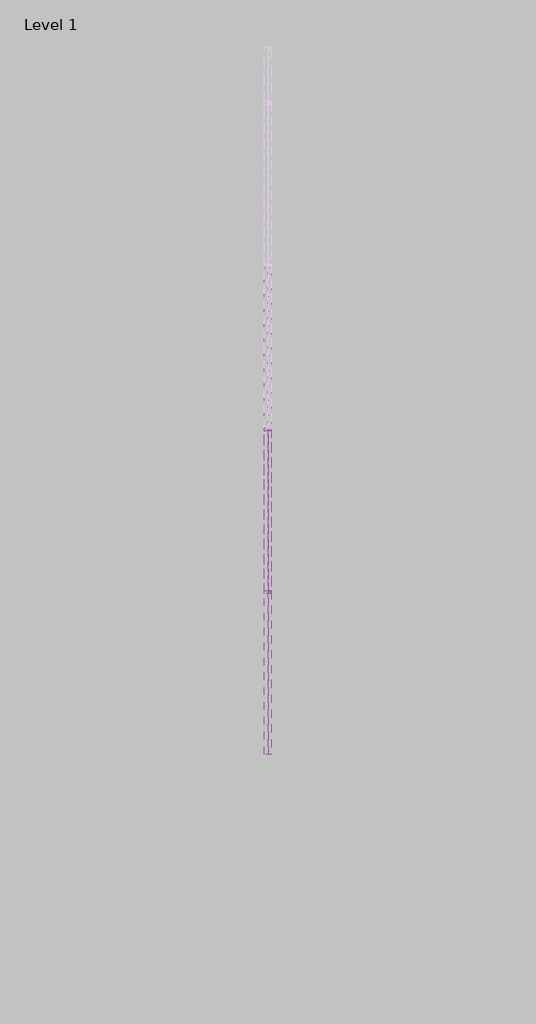
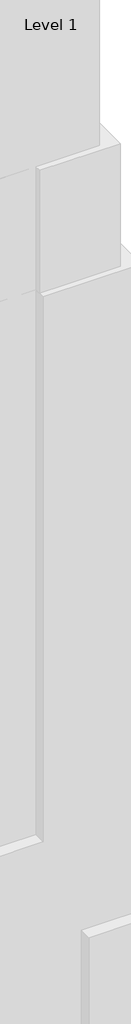
# One storey, part 25 of 29: 112 plates, 4 members.
"""IFC4 building model written with IfcOpenShell, lengths in millimetres."""

import ifcopenshell
import ifcopenshell.guid

model = None  # the IFC model being written
_history = None  # IfcOwnerHistory: only IFC2X3 demands one
_inside = {}  # id of a spatial element -> (the spatial element, [elements in it])
_under = {}  # id of a project, library or spatial element -> (it, [spatial elements below it])
_declared = {}  # id of a project -> (the project, [libraries it declares])
_typed = {}  # id of a type object -> (the type object, [elements of that type])
_made_of = {}  # id of a material, layer set ... -> (it, [elements and type objects made of it])


def new_model(schema):
    """Start an empty IFC model of exactly this schema.

    Asked for "IFC4X3", IfcOpenShell would pick the latest addendum, in which some entities
    have other attributes; the version numbers below select the first issue.
    IFC2X3 requires an IfcOwnerHistory on every rooted entity: one is made here for all.
    """
    global model, _history
    if schema == "IFC4X3":
        model = ifcopenshell.file(schema_version=(4, 3, 0, 0))
    else:
        model = ifcopenshell.file(schema=schema)
    _inside.clear()
    _under.clear()
    _declared.clear()
    _typed.clear()
    _made_of.clear()
    _history = None
    if model.schema == "IFC2X3":
        org = make("IfcOrganization", Name="unknown")
        user = make(
            "IfcPersonAndOrganization",
            ThePerson=make("IfcPerson", FamilyName="unknown"),
            TheOrganization=org,
        )
        app = make(
            "IfcApplication",
            ApplicationDeveloper=org,
            Version="unknown",
            ApplicationFullName="unknown",
            ApplicationIdentifier="unknown",
        )
        _history = make(
            "IfcOwnerHistory",
            OwningUser=user,
            OwningApplication=app,
            ChangeAction="ADDED",
            CreationDate=0,
        )
    return model


def make(cls, **values):
    """One entity of the class cls with the attributes given. An attribute that is None is left unset."""
    return model.create_entity(
        cls, **{name: value for name, value in values.items() if value is not None}
    )


def rooted(cls, **values):
    """An entity with a GlobalId (a new one), such as an element, a storey or a relation."""
    return make(cls, GlobalId=ifcopenshell.guid.new(), OwnerHistory=_history, **values)


def si_unit(unit_type, name, prefix=None):
    """IfcSIUnit, for example si_unit("LENGTHUNIT", "METRE", prefix="MILLI")."""
    return make("IfcSIUnit", UnitType=unit_type, Prefix=prefix, Name=name)


def assignment(units):
    """IfcUnitAssignment: the units of a project."""
    return None if units is None else make("IfcUnitAssignment", Units=units)


def point(xyz):
    """IfcCartesianPoint."""
    return None if xyz is None else make("IfcCartesianPoint", Coordinates=xyz)


def direction(xyz):
    """IfcDirection."""
    return None if xyz is None else make("IfcDirection", DirectionRatios=xyz)


def frame(location, z_axis=None, x_axis=None):
    """IfcAxis2Placement3D, a coordinate frame: its origin and axes. An axis left out is left unset."""
    return make(
        "IfcAxis2Placement3D",
        Location=point(location),
        Axis=direction(z_axis),
        RefDirection=direction(x_axis),
    )


def origin():
    """The frame at (0, 0, 0) with its axes left unset."""
    return frame((0.0, 0.0, 0.0))


def origin_with_axes():
    """The frame at (0, 0, 0) with the z axis (0, 0, 1) and the x axis (1, 0, 0) written out."""
    return frame((0.0, 0.0, 0.0), z_axis=(0.0, 0.0, 1.0), x_axis=(1.0, 0.0, 0.0))


def place(relative_to, where):
    """IfcLocalPlacement: puts the frame where relative to a parent placement (None: the world)."""
    return make(
        "IfcLocalPlacement", PlacementRelTo=relative_to, RelativePlacement=where
    )


def context(
    kind, dimensions, precision=None, world=None, true_north=None, identifier=None
):
    """IfcGeometricRepresentationContext, for example the 3D "Model" context."""
    return make(
        "IfcGeometricRepresentationContext",
        ContextIdentifier=identifier,
        ContextType=kind,
        CoordinateSpaceDimension=dimensions,
        Precision=precision,
        WorldCoordinateSystem=world,
        TrueNorth=true_north,
    )


def project(units=None, contexts=None):
    """IfcProject with its units and contexts."""
    return rooted(
        "IfcProject",
        Name="project",
        RepresentationContexts=contexts,
        UnitsInContext=assignment(units),
    )


def spatial(cls, under=None, at=None, **own):
    """A site, building, storey or space (cls), placed at a placement, below another one or the project."""
    s = rooted(cls, ObjectPlacement=at, **own)
    if under is not None:
        _under.setdefault(under.id(), (under, []))[1].append(s)
    return s


def polyline(points):
    """IfcPolyline through the points."""
    return make("IfcPolyline", Points=[point(p) for p in points])


def outline(outer, holes=None, kind="AREA"):
    """IfcArbitraryClosedProfileDef: a profile drawn as a closed curve; with holes, ...WithVoids."""
    if holes is None:
        return make("IfcArbitraryClosedProfileDef", ProfileType=kind, OuterCurve=outer)
    return make(
        "IfcArbitraryProfileDefWithVoids",
        ProfileType=kind,
        OuterCurve=outer,
        InnerCurves=holes,
    )


def extrude(swept, where, along, depth):
    """IfcExtrudedAreaSolid: the profile swept, set in the frame where, extruded along a direction by depth."""
    return make(
        "IfcExtrudedAreaSolid",
        SweptArea=swept,
        Position=where,
        ExtrudedDirection=direction(along),
        Depth=depth,
    )


def shape(context_of_items, identifier, shape_type, items):
    """IfcShapeRepresentation: the items that make up one representation, for example the "Body"."""
    return make(
        "IfcShapeRepresentation",
        ContextOfItems=context_of_items,
        RepresentationIdentifier=identifier,
        RepresentationType=shape_type,
        Items=items,
    )


def source(mapping_origin, context_of_items, identifier, shape_type, items):
    """IfcRepresentationMap: a shape defined once, which mapped items show again and again."""
    return make(
        "IfcRepresentationMap",
        MappingOrigin=mapping_origin,
        MappedRepresentation=shape(context_of_items, identifier, shape_type, items),
    )


def transform(
    local_origin,
    x_axis=None,
    y_axis=None,
    z_axis=None,
    scale=None,
    scale2=None,
    scale3=None,
    uniform=True,
):
    """IfcCartesianTransformationOperator3D, or its non-uniform kind. x_axis, y_axis, z_axis: its Axis1, 2, 3."""
    if uniform:
        return make(
            "IfcCartesianTransformationOperator3D",
            Axis1=direction(x_axis),
            Axis2=direction(y_axis),
            LocalOrigin=point(local_origin),
            Scale=scale,
            Axis3=direction(z_axis),
        )
    return make(
        "IfcCartesianTransformationOperator3DnonUniform",
        Axis1=direction(x_axis),
        Axis2=direction(y_axis),
        LocalOrigin=point(local_origin),
        Scale=scale,
        Axis3=direction(z_axis),
        Scale2=scale2,
        Scale3=scale3,
    )


def mapped(mapping_source, mapping_target):
    """IfcMappedItem: shows the shape of a source again, moved by a transform."""
    return make(
        "IfcMappedItem", MappingSource=mapping_source, MappingTarget=mapping_target
    )


def made_of(thing, what):
    """Note that an element or type object is made of a material, layer set ...; save() writes the relation."""
    if what is not None:
        _made_of.setdefault(what.id(), (what, []))[1].append(thing)
    return thing


def element(
    cls,
    number,
    at=None,
    inside=None,
    cuts=None,
    type_object=None,
    material=None,
    context=None,
    identifier="Body",
    shape_type=None,
    held_by="IfcProductDefinitionShape",
    body=None,
    shapes=None,
    **own,
):
    """One element of the class cls, such as IfcWall. Its Tag is "e" and its number.

    at: its placement. inside: the storey or other place that contains it. cuts: it is an
    opening in that element (IfcRelVoidsElement). A single representation is given by context,
    identifier, shape_type and body (its items); several are given by shapes. held_by: the class
    of the entity that holds the representations. save() writes the other relations.
    """
    e = rooted(cls, Tag="e%d" % number, ObjectPlacement=at, **own)
    if body is not None:
        shapes = [shape(context, identifier, shape_type, body)]
    if shapes is not None:
        e.Representation = make(held_by, Representations=shapes)
    if inside is not None:
        _inside.setdefault(inside.id(), (inside, []))[1].append(e)
    if cuts is not None:
        rooted(
            "IfcRelVoidsElement", RelatingBuildingElement=cuts, RelatedOpeningElement=e
        )
    if type_object is not None:
        _typed.setdefault(type_object.id(), (type_object, []))[1].append(e)
    return made_of(e, material)


def aggregate(whole, parts):
    """IfcRelAggregates: a whole, such as a stair, and the parts it consists of."""
    return rooted("IfcRelAggregates", RelatingObject=whole, RelatedObjects=parts)


def save(model, path):
    """Write the relations noted so far, then the file.

    IfcRelAggregates (storeys below a building ...), IfcRelContainedInSpatialStructure (elements
    in a storey), IfcRelDefinesByType, IfcRelAssociatesMaterial and IfcRelDeclares: one each for
    every whole, place, type object, material and project.
    """
    for whole, parts in _under.values():
        aggregate(whole, parts)
    for where, things in _inside.values():
        rooted(
            "IfcRelContainedInSpatialStructure",
            RelatedElements=things,
            RelatingStructure=where,
        )
    for kind, things in _typed.values():
        rooted("IfcRelDefinesByType", RelatedObjects=things, RelatingType=kind)
    for what, things in _made_of.values():
        rooted("IfcRelAssociatesMaterial", RelatedObjects=things, RelatingMaterial=what)
    for by, libraries in _declared.values():
        rooted("IfcRelDeclares", RelatingContext=by, RelatedDefinitions=libraries)
    model.write(path)


def rectangular_mullion_30mm_square_0448d2ee(model_context):
    return source(origin(), model_context, "Body", "SweptSolid", [
        extrude(outline(polyline([(0.0, 15.0), (0.0, -15.0), (-30.0, -15.0), (-30.0, 15.0), (0.0, 15.0)])), frame((0.0, 0.0, -1500.0), z_axis=(0.0, 0.0, 1.0), x_axis=(1.0, 0.0, 0.0)), (0.0, 0.0, 1.0), 1500.0),
    ])


def system_panel_glazed_328a1fc4(model_context):
    return source(origin(), model_context, "Body", "SweptSolid", [
        extrude(outline(polyline([(750.0, -49.5), (-750.0, -49.5), (-750.0, -24.5), (750.0, -24.5), (750.0, -49.5)])), origin_with_axes(), (0.0, 0.0, 1.0), 2500.0),
    ])


def system_panel_glazed_00ce7913(model_context):
    return source(origin(), model_context, "Body", "SweptSolid", [
        extrude(outline(polyline([(750.0, -49.5), (-750.0, -49.5), (-750.0, -24.5), (750.0, -24.5), (750.0, -49.5)])), origin_with_axes(), (0.0, 0.0, 1.0), 2300.0),
    ])


model = new_model("IFC4")

# Units and contexts
model_context = context("Model", 3, world=origin())
ifc_project = project(units=[si_unit("LENGTHUNIT", "METRE", prefix="MILLI")], contexts=[model_context])

# Site, building, storey
site = spatial("IfcSite", under=ifc_project)
building = spatial("IfcBuilding", under=site)
storey = spatial("IfcBuildingStorey", under=building, Name="Level 1", Elevation=0.0)

# Members
placement = place(None, origin())
rectangular_mullion_30mm_square_shape = rectangular_mullion_30mm_square_0448d2ee(model_context)
element("IfcMember", 1, ObjectType="Rectangular Mullion : 30mm Square", at=placement, inside=storey, context=model_context, shape_type="MappedRepresentation", body=[
    mapped(rectangular_mullion_30mm_square_shape, transform((27779.9951476, 11053.1129705, 300200.0), x_axis=(0.0, 0.0, 1.0), y_axis=(1.0, 0.0, 0.0), z_axis=(0.0, 1.0, 0.0))),
])
element("IfcMember", 2, ObjectType="Rectangular Mullion : 30mm Square", at=placement, inside=storey, context=model_context, shape_type="MappedRepresentation", body=[
    mapped(rectangular_mullion_30mm_square_shape, transform((27779.9951476, 12553.1129705, 300200.0), x_axis=(0.0, 0.0, 1.0), y_axis=(1.0, 0.0, 0.0), z_axis=(0.0, 1.0, 0.0))),
])
element("IfcMember", 3, ObjectType="Rectangular Mullion : 30mm Square", at=placement, inside=storey, context=model_context, shape_type="MappedRepresentation", body=[
    mapped(rectangular_mullion_30mm_square_shape, transform((27779.9951476, 11053.1129705, 140400.0), x_axis=(0.0, 0.0, -1.0), y_axis=(1.0, 0.0, 0.0), z_axis=(0.0, -1.0, 0.0))),
])
element("IfcMember", 4, ObjectType="Rectangular Mullion : 30mm Square", at=placement, inside=storey, context=model_context, shape_type="MappedRepresentation", body=[
    mapped(rectangular_mullion_30mm_square_shape, transform((27779.9951476, 12553.1129705, 140400.0), x_axis=(0.0, 0.0, -1.0), y_axis=(1.0, 0.0, 0.0), z_axis=(0.0, -1.0, 0.0))),
])

# Plates
system_panel_glazed_shape = system_panel_glazed_328a1fc4(model_context)
element("IfcPlate", 5, ObjectType="System Panel : Glazed", at=placement, inside=storey, context=model_context, shape_type="MappedRepresentation", body=[
    mapped(system_panel_glazed_shape, transform((27779.9951476, 11803.1129705, 140400.0), x_axis=(0.0, 1.0, 0.0), y_axis=(-1.0, 0.0, 0.0), z_axis=(0.0, 0.0, 1.0))),
])
element("IfcPlate", 6, ObjectType="System Panel : Glazed", at=placement, inside=storey, context=model_context, shape_type="MappedRepresentation", body=[
    mapped(system_panel_glazed_shape, transform((27779.9951476, 13303.1129705, 140400.0), x_axis=(0.0, 1.0, 0.0), y_axis=(-1.0, 0.0, 0.0), z_axis=(0.0, 0.0, 1.0))),
])
element("IfcPlate", 7, ObjectType="System Panel : Glazed", at=placement, inside=storey, context=model_context, shape_type="MappedRepresentation", body=[
    mapped(system_panel_glazed_shape, transform((27779.9951476, 11803.1129705, 142900.0), x_axis=(0.0, 1.0, 0.0), y_axis=(-1.0, 0.0, 0.0), z_axis=(0.0, 0.0, 1.0))),
])
element("IfcPlate", 8, ObjectType="System Panel : Glazed", at=placement, inside=storey, context=model_context, shape_type="MappedRepresentation", body=[
    mapped(system_panel_glazed_shape, transform((27779.9951476, 13303.1129705, 142900.0), x_axis=(0.0, 1.0, 0.0), y_axis=(-1.0, 0.0, 0.0), z_axis=(0.0, 0.0, 1.0))),
])
element("IfcPlate", 9, ObjectType="System Panel : Glazed", at=placement, inside=storey, context=model_context, shape_type="MappedRepresentation", body=[
    mapped(system_panel_glazed_shape, transform((27779.9951476, 11803.1129705, 145400.0), x_axis=(0.0, 1.0, 0.0), y_axis=(-1.0, 0.0, 0.0), z_axis=(0.0, 0.0, 1.0))),
])
element("IfcPlate", 10, ObjectType="System Panel : Glazed", at=placement, inside=storey, context=model_context, shape_type="MappedRepresentation", body=[
    mapped(system_panel_glazed_shape, transform((27779.9951476, 13303.1129705, 145400.0), x_axis=(0.0, 1.0, 0.0), y_axis=(-1.0, 0.0, 0.0), z_axis=(0.0, 0.0, 1.0))),
])
element("IfcPlate", 11, ObjectType="System Panel : Glazed", at=placement, inside=storey, context=model_context, shape_type="MappedRepresentation", body=[
    mapped(system_panel_glazed_shape, transform((27779.9951476, 11803.1129705, 147900.0), x_axis=(0.0, 1.0, 0.0), y_axis=(-1.0, 0.0, 0.0), z_axis=(0.0, 0.0, 1.0))),
])
element("IfcPlate", 12, ObjectType="System Panel : Glazed", at=placement, inside=storey, context=model_context, shape_type="MappedRepresentation", body=[
    mapped(system_panel_glazed_shape, transform((27779.9951476, 13303.1129705, 147900.0), x_axis=(0.0, 1.0, 0.0), y_axis=(-1.0, 0.0, 0.0), z_axis=(0.0, 0.0, 1.0))),
])
element("IfcPlate", 13, ObjectType="System Panel : Glazed", at=placement, inside=storey, context=model_context, shape_type="MappedRepresentation", body=[
    mapped(system_panel_glazed_shape, transform((27779.9951476, 11803.1129705, 150400.0), x_axis=(0.0, 1.0, 0.0), y_axis=(-1.0, 0.0, 0.0), z_axis=(0.0, 0.0, 1.0))),
])
element("IfcPlate", 14, ObjectType="System Panel : Glazed", at=placement, inside=storey, context=model_context, shape_type="MappedRepresentation", body=[
    mapped(system_panel_glazed_shape, transform((27779.9951476, 13303.1129705, 150400.0), x_axis=(0.0, 1.0, 0.0), y_axis=(-1.0, 0.0, 0.0), z_axis=(0.0, 0.0, 1.0))),
])
element("IfcPlate", 15, ObjectType="System Panel : Glazed", at=placement, inside=storey, context=model_context, shape_type="MappedRepresentation", body=[
    mapped(system_panel_glazed_shape, transform((27779.9951476, 11803.1129705, 152900.0), x_axis=(0.0, 1.0, 0.0), y_axis=(-1.0, 0.0, 0.0), z_axis=(0.0, 0.0, 1.0))),
])
element("IfcPlate", 16, ObjectType="System Panel : Glazed", at=placement, inside=storey, context=model_context, shape_type="MappedRepresentation", body=[
    mapped(system_panel_glazed_shape, transform((27779.9951476, 13303.1129705, 152900.0), x_axis=(0.0, 1.0, 0.0), y_axis=(-1.0, 0.0, 0.0), z_axis=(0.0, 0.0, 1.0))),
])
element("IfcPlate", 17, ObjectType="System Panel : Glazed", at=placement, inside=storey, context=model_context, shape_type="MappedRepresentation", body=[
    mapped(system_panel_glazed_shape, transform((27779.9951476, 11803.1129705, 155400.0), x_axis=(0.0, 1.0, 0.0), y_axis=(-1.0, 0.0, 0.0), z_axis=(0.0, 0.0, 1.0))),
])
element("IfcPlate", 18, ObjectType="System Panel : Glazed", at=placement, inside=storey, context=model_context, shape_type="MappedRepresentation", body=[
    mapped(system_panel_glazed_shape, transform((27779.9951476, 13303.1129705, 155400.0), x_axis=(0.0, 1.0, 0.0), y_axis=(-1.0, 0.0, 0.0), z_axis=(0.0, 0.0, 1.0))),
])
element("IfcPlate", 19, ObjectType="System Panel : Glazed", at=placement, inside=storey, context=model_context, shape_type="MappedRepresentation", body=[
    mapped(system_panel_glazed_shape, transform((27779.9951476, 11803.1129705, 157900.0), x_axis=(0.0, 1.0, 0.0), y_axis=(-1.0, 0.0, 0.0), z_axis=(0.0, 0.0, 1.0))),
])
element("IfcPlate", 20, ObjectType="System Panel : Glazed", at=placement, inside=storey, context=model_context, shape_type="MappedRepresentation", body=[
    mapped(system_panel_glazed_shape, transform((27779.9951476, 13303.1129705, 157900.0), x_axis=(0.0, 1.0, 0.0), y_axis=(-1.0, 0.0, 0.0), z_axis=(0.0, 0.0, 1.0))),
])
element("IfcPlate", 21, ObjectType="System Panel : Glazed", at=placement, inside=storey, context=model_context, shape_type="MappedRepresentation", body=[
    mapped(system_panel_glazed_shape, transform((27779.9951476, 11803.1129705, 160400.0), x_axis=(0.0, 1.0, 0.0), y_axis=(-1.0, 0.0, 0.0), z_axis=(0.0, 0.0, 1.0))),
])
element("IfcPlate", 22, ObjectType="System Panel : Glazed", at=placement, inside=storey, context=model_context, shape_type="MappedRepresentation", body=[
    mapped(system_panel_glazed_shape, transform((27779.9951476, 13303.1129705, 160400.0), x_axis=(0.0, 1.0, 0.0), y_axis=(-1.0, 0.0, 0.0), z_axis=(0.0, 0.0, 1.0))),
])
element("IfcPlate", 23, ObjectType="System Panel : Glazed", at=placement, inside=storey, context=model_context, shape_type="MappedRepresentation", body=[
    mapped(system_panel_glazed_shape, transform((27779.9951476, 11803.1129705, 162900.0), x_axis=(0.0, 1.0, 0.0), y_axis=(-1.0, 0.0, 0.0), z_axis=(0.0, 0.0, 1.0))),
])
element("IfcPlate", 24, ObjectType="System Panel : Glazed", at=placement, inside=storey, context=model_context, shape_type="MappedRepresentation", body=[
    mapped(system_panel_glazed_shape, transform((27779.9951476, 13303.1129705, 162900.0), x_axis=(0.0, 1.0, 0.0), y_axis=(-1.0, 0.0, 0.0), z_axis=(0.0, 0.0, 1.0))),
])
element("IfcPlate", 25, ObjectType="System Panel : Glazed", at=placement, inside=storey, context=model_context, shape_type="MappedRepresentation", body=[
    mapped(system_panel_glazed_shape, transform((27779.9951476, 11803.1129705, 165400.0), x_axis=(0.0, 1.0, 0.0), y_axis=(-1.0, 0.0, 0.0), z_axis=(0.0, 0.0, 1.0))),
])
element("IfcPlate", 26, ObjectType="System Panel : Glazed", at=placement, inside=storey, context=model_context, shape_type="MappedRepresentation", body=[
    mapped(system_panel_glazed_shape, transform((27779.9951476, 13303.1129705, 165400.0), x_axis=(0.0, 1.0, 0.0), y_axis=(-1.0, 0.0, 0.0), z_axis=(0.0, 0.0, 1.0))),
])
element("IfcPlate", 27, ObjectType="System Panel : Glazed", at=placement, inside=storey, context=model_context, shape_type="MappedRepresentation", body=[
    mapped(system_panel_glazed_shape, transform((27779.9951476, 11803.1129705, 167900.0), x_axis=(0.0, 1.0, 0.0), y_axis=(-1.0, 0.0, 0.0), z_axis=(0.0, 0.0, 1.0))),
])
element("IfcPlate", 28, ObjectType="System Panel : Glazed", at=placement, inside=storey, context=model_context, shape_type="MappedRepresentation", body=[
    mapped(system_panel_glazed_shape, transform((27779.9951476, 13303.1129705, 167900.0), x_axis=(0.0, 1.0, 0.0), y_axis=(-1.0, 0.0, 0.0), z_axis=(0.0, 0.0, 1.0))),
])
element("IfcPlate", 29, ObjectType="System Panel : Glazed", at=placement, inside=storey, context=model_context, shape_type="MappedRepresentation", body=[
    mapped(system_panel_glazed_shape, transform((27779.9951476, 11803.1129705, 170400.0), x_axis=(0.0, 1.0, 0.0), y_axis=(-1.0, 0.0, 0.0), z_axis=(0.0, 0.0, 1.0))),
])
element("IfcPlate", 30, ObjectType="System Panel : Glazed", at=placement, inside=storey, context=model_context, shape_type="MappedRepresentation", body=[
    mapped(system_panel_glazed_shape, transform((27779.9951476, 13303.1129705, 170400.0), x_axis=(0.0, 1.0, 0.0), y_axis=(-1.0, 0.0, 0.0), z_axis=(0.0, 0.0, 1.0))),
])
element("IfcPlate", 31, ObjectType="System Panel : Glazed", at=placement, inside=storey, context=model_context, shape_type="MappedRepresentation", body=[
    mapped(system_panel_glazed_shape, transform((27779.9951476, 11803.1129705, 172900.0), x_axis=(0.0, 1.0, 0.0), y_axis=(-1.0, 0.0, 0.0), z_axis=(0.0, 0.0, 1.0))),
])
element("IfcPlate", 32, ObjectType="System Panel : Glazed", at=placement, inside=storey, context=model_context, shape_type="MappedRepresentation", body=[
    mapped(system_panel_glazed_shape, transform((27779.9951476, 13303.1129705, 172900.0), x_axis=(0.0, 1.0, 0.0), y_axis=(-1.0, 0.0, 0.0), z_axis=(0.0, 0.0, 1.0))),
])
element("IfcPlate", 33, ObjectType="System Panel : Glazed", at=placement, inside=storey, context=model_context, shape_type="MappedRepresentation", body=[
    mapped(system_panel_glazed_shape, transform((27779.9951476, 11803.1129705, 175400.0), x_axis=(0.0, 1.0, 0.0), y_axis=(-1.0, 0.0, 0.0), z_axis=(0.0, 0.0, 1.0))),
])
element("IfcPlate", 34, ObjectType="System Panel : Glazed", at=placement, inside=storey, context=model_context, shape_type="MappedRepresentation", body=[
    mapped(system_panel_glazed_shape, transform((27779.9951476, 13303.1129705, 175400.0), x_axis=(0.0, 1.0, 0.0), y_axis=(-1.0, 0.0, 0.0), z_axis=(0.0, 0.0, 1.0))),
])
element("IfcPlate", 35, ObjectType="System Panel : Glazed", at=placement, inside=storey, context=model_context, shape_type="MappedRepresentation", body=[
    mapped(system_panel_glazed_shape, transform((27779.9951476, 11803.1129705, 177900.0), x_axis=(0.0, 1.0, 0.0), y_axis=(-1.0, 0.0, 0.0), z_axis=(0.0, 0.0, 1.0))),
])
element("IfcPlate", 36, ObjectType="System Panel : Glazed", at=placement, inside=storey, context=model_context, shape_type="MappedRepresentation", body=[
    mapped(system_panel_glazed_shape, transform((27779.9951476, 13303.1129705, 177900.0), x_axis=(0.0, 1.0, 0.0), y_axis=(-1.0, 0.0, 0.0), z_axis=(0.0, 0.0, 1.0))),
])
element("IfcPlate", 37, ObjectType="System Panel : Glazed", at=placement, inside=storey, context=model_context, shape_type="MappedRepresentation", body=[
    mapped(system_panel_glazed_shape, transform((27779.9951476, 11803.1129705, 180400.0), x_axis=(0.0, 1.0, 0.0), y_axis=(-1.0, 0.0, 0.0), z_axis=(0.0, 0.0, 1.0))),
])
element("IfcPlate", 38, ObjectType="System Panel : Glazed", at=placement, inside=storey, context=model_context, shape_type="MappedRepresentation", body=[
    mapped(system_panel_glazed_shape, transform((27779.9951476, 13303.1129705, 180400.0), x_axis=(0.0, 1.0, 0.0), y_axis=(-1.0, 0.0, 0.0), z_axis=(0.0, 0.0, 1.0))),
])
element("IfcPlate", 39, ObjectType="System Panel : Glazed", at=placement, inside=storey, context=model_context, shape_type="MappedRepresentation", body=[
    mapped(system_panel_glazed_shape, transform((27779.9951476, 11803.1129705, 182900.0), x_axis=(0.0, 1.0, 0.0), y_axis=(-1.0, 0.0, 0.0), z_axis=(0.0, 0.0, 1.0))),
])
element("IfcPlate", 40, ObjectType="System Panel : Glazed", at=placement, inside=storey, context=model_context, shape_type="MappedRepresentation", body=[
    mapped(system_panel_glazed_shape, transform((27779.9951476, 13303.1129705, 182900.0), x_axis=(0.0, 1.0, 0.0), y_axis=(-1.0, 0.0, 0.0), z_axis=(0.0, 0.0, 1.0))),
])
element("IfcPlate", 41, ObjectType="System Panel : Glazed", at=placement, inside=storey, context=model_context, shape_type="MappedRepresentation", body=[
    mapped(system_panel_glazed_shape, transform((27779.9951476, 11803.1129705, 185400.0), x_axis=(0.0, 1.0, 0.0), y_axis=(-1.0, 0.0, 0.0), z_axis=(0.0, 0.0, 1.0))),
])
element("IfcPlate", 42, ObjectType="System Panel : Glazed", at=placement, inside=storey, context=model_context, shape_type="MappedRepresentation", body=[
    mapped(system_panel_glazed_shape, transform((27779.9951476, 13303.1129705, 185400.0), x_axis=(0.0, 1.0, 0.0), y_axis=(-1.0, 0.0, 0.0), z_axis=(0.0, 0.0, 1.0))),
])
element("IfcPlate", 43, ObjectType="System Panel : Glazed", at=placement, inside=storey, context=model_context, shape_type="MappedRepresentation", body=[
    mapped(system_panel_glazed_shape, transform((27779.9951476, 11803.1129705, 187900.0), x_axis=(0.0, 1.0, 0.0), y_axis=(-1.0, 0.0, 0.0), z_axis=(0.0, 0.0, 1.0))),
])
element("IfcPlate", 44, ObjectType="System Panel : Glazed", at=placement, inside=storey, context=model_context, shape_type="MappedRepresentation", body=[
    mapped(system_panel_glazed_shape, transform((27779.9951476, 13303.1129705, 187900.0), x_axis=(0.0, 1.0, 0.0), y_axis=(-1.0, 0.0, 0.0), z_axis=(0.0, 0.0, 1.0))),
])
element("IfcPlate", 45, ObjectType="System Panel : Glazed", at=placement, inside=storey, context=model_context, shape_type="MappedRepresentation", body=[
    mapped(system_panel_glazed_shape, transform((27779.9951476, 11803.1129705, 190400.0), x_axis=(0.0, 1.0, 0.0), y_axis=(-1.0, 0.0, 0.0), z_axis=(0.0, 0.0, 1.0))),
])
element("IfcPlate", 46, ObjectType="System Panel : Glazed", at=placement, inside=storey, context=model_context, shape_type="MappedRepresentation", body=[
    mapped(system_panel_glazed_shape, transform((27779.9951476, 13303.1129705, 190400.0), x_axis=(0.0, 1.0, 0.0), y_axis=(-1.0, 0.0, 0.0), z_axis=(0.0, 0.0, 1.0))),
])
element("IfcPlate", 47, ObjectType="System Panel : Glazed", at=placement, inside=storey, context=model_context, shape_type="MappedRepresentation", body=[
    mapped(system_panel_glazed_shape, transform((27779.9951476, 11803.1129705, 192900.0), x_axis=(0.0, 1.0, 0.0), y_axis=(-1.0, 0.0, 0.0), z_axis=(0.0, 0.0, 1.0))),
])
element("IfcPlate", 48, ObjectType="System Panel : Glazed", at=placement, inside=storey, context=model_context, shape_type="MappedRepresentation", body=[
    mapped(system_panel_glazed_shape, transform((27779.9951476, 13303.1129705, 192900.0), x_axis=(0.0, 1.0, 0.0), y_axis=(-1.0, 0.0, 0.0), z_axis=(0.0, 0.0, 1.0))),
])
element("IfcPlate", 49, ObjectType="System Panel : Glazed", at=placement, inside=storey, context=model_context, shape_type="MappedRepresentation", body=[
    mapped(system_panel_glazed_shape, transform((27779.9951476, 11803.1129705, 195400.0), x_axis=(0.0, 1.0, 0.0), y_axis=(-1.0, 0.0, 0.0), z_axis=(0.0, 0.0, 1.0))),
])
element("IfcPlate", 50, ObjectType="System Panel : Glazed", at=placement, inside=storey, context=model_context, shape_type="MappedRepresentation", body=[
    mapped(system_panel_glazed_shape, transform((27779.9951476, 13303.1129705, 195400.0), x_axis=(0.0, 1.0, 0.0), y_axis=(-1.0, 0.0, 0.0), z_axis=(0.0, 0.0, 1.0))),
])
element("IfcPlate", 51, ObjectType="System Panel : Glazed", at=placement, inside=storey, context=model_context, shape_type="MappedRepresentation", body=[
    mapped(system_panel_glazed_shape, transform((27779.9951476, 11803.1129705, 197900.0), x_axis=(0.0, 1.0, 0.0), y_axis=(-1.0, 0.0, 0.0), z_axis=(0.0, 0.0, 1.0))),
])
element("IfcPlate", 52, ObjectType="System Panel : Glazed", at=placement, inside=storey, context=model_context, shape_type="MappedRepresentation", body=[
    mapped(system_panel_glazed_shape, transform((27779.9951476, 13303.1129705, 197900.0), x_axis=(0.0, 1.0, 0.0), y_axis=(-1.0, 0.0, 0.0), z_axis=(0.0, 0.0, 1.0))),
])
element("IfcPlate", 53, ObjectType="System Panel : Glazed", at=placement, inside=storey, context=model_context, shape_type="MappedRepresentation", body=[
    mapped(system_panel_glazed_shape, transform((27779.9951476, 11803.1129705, 200400.0), x_axis=(0.0, 1.0, 0.0), y_axis=(-1.0, 0.0, 0.0), z_axis=(0.0, 0.0, 1.0))),
])
element("IfcPlate", 54, ObjectType="System Panel : Glazed", at=placement, inside=storey, context=model_context, shape_type="MappedRepresentation", body=[
    mapped(system_panel_glazed_shape, transform((27779.9951476, 13303.1129705, 200400.0), x_axis=(0.0, 1.0, 0.0), y_axis=(-1.0, 0.0, 0.0), z_axis=(0.0, 0.0, 1.0))),
])
element("IfcPlate", 55, ObjectType="System Panel : Glazed", at=placement, inside=storey, context=model_context, shape_type="MappedRepresentation", body=[
    mapped(system_panel_glazed_shape, transform((27779.9951476, 11803.1129705, 202900.0), x_axis=(0.0, 1.0, 0.0), y_axis=(-1.0, 0.0, 0.0), z_axis=(0.0, 0.0, 1.0))),
])
element("IfcPlate", 56, ObjectType="System Panel : Glazed", at=placement, inside=storey, context=model_context, shape_type="MappedRepresentation", body=[
    mapped(system_panel_glazed_shape, transform((27779.9951476, 13303.1129705, 202900.0), x_axis=(0.0, 1.0, 0.0), y_axis=(-1.0, 0.0, 0.0), z_axis=(0.0, 0.0, 1.0))),
])
element("IfcPlate", 57, ObjectType="System Panel : Glazed", at=placement, inside=storey, context=model_context, shape_type="MappedRepresentation", body=[
    mapped(system_panel_glazed_shape, transform((27779.9951476, 11803.1129705, 205400.0), x_axis=(0.0, 1.0, 0.0), y_axis=(-1.0, 0.0, 0.0), z_axis=(0.0, 0.0, 1.0))),
])
element("IfcPlate", 58, ObjectType="System Panel : Glazed", at=placement, inside=storey, context=model_context, shape_type="MappedRepresentation", body=[
    mapped(system_panel_glazed_shape, transform((27779.9951476, 13303.1129705, 205400.0), x_axis=(0.0, 1.0, 0.0), y_axis=(-1.0, 0.0, 0.0), z_axis=(0.0, 0.0, 1.0))),
])
element("IfcPlate", 59, ObjectType="System Panel : Glazed", at=placement, inside=storey, context=model_context, shape_type="MappedRepresentation", body=[
    mapped(system_panel_glazed_shape, transform((27779.9951476, 11803.1129705, 207900.0), x_axis=(0.0, 1.0, 0.0), y_axis=(-1.0, 0.0, 0.0), z_axis=(0.0, 0.0, 1.0))),
])
element("IfcPlate", 60, ObjectType="System Panel : Glazed", at=placement, inside=storey, context=model_context, shape_type="MappedRepresentation", body=[
    mapped(system_panel_glazed_shape, transform((27779.9951476, 13303.1129705, 207900.0), x_axis=(0.0, 1.0, 0.0), y_axis=(-1.0, 0.0, 0.0), z_axis=(0.0, 0.0, 1.0))),
])
element("IfcPlate", 61, ObjectType="System Panel : Glazed", at=placement, inside=storey, context=model_context, shape_type="MappedRepresentation", body=[
    mapped(system_panel_glazed_shape, transform((27779.9951476, 11803.1129705, 210400.0), x_axis=(0.0, 1.0, 0.0), y_axis=(-1.0, 0.0, 0.0), z_axis=(0.0, 0.0, 1.0))),
])
element("IfcPlate", 62, ObjectType="System Panel : Glazed", at=placement, inside=storey, context=model_context, shape_type="MappedRepresentation", body=[
    mapped(system_panel_glazed_shape, transform((27779.9951476, 13303.1129705, 210400.0), x_axis=(0.0, 1.0, 0.0), y_axis=(-1.0, 0.0, 0.0), z_axis=(0.0, 0.0, 1.0))),
])
element("IfcPlate", 63, ObjectType="System Panel : Glazed", at=placement, inside=storey, context=model_context, shape_type="MappedRepresentation", body=[
    mapped(system_panel_glazed_shape, transform((27779.9951476, 11803.1129705, 212900.0), x_axis=(0.0, 1.0, 0.0), y_axis=(-1.0, 0.0, 0.0), z_axis=(0.0, 0.0, 1.0))),
])
element("IfcPlate", 64, ObjectType="System Panel : Glazed", at=placement, inside=storey, context=model_context, shape_type="MappedRepresentation", body=[
    mapped(system_panel_glazed_shape, transform((27779.9951476, 13303.1129705, 212900.0), x_axis=(0.0, 1.0, 0.0), y_axis=(-1.0, 0.0, 0.0), z_axis=(0.0, 0.0, 1.0))),
])
element("IfcPlate", 65, ObjectType="System Panel : Glazed", at=placement, inside=storey, context=model_context, shape_type="MappedRepresentation", body=[
    mapped(system_panel_glazed_shape, transform((27779.9951476, 11803.1129705, 215400.0), x_axis=(0.0, 1.0, 0.0), y_axis=(-1.0, 0.0, 0.0), z_axis=(0.0, 0.0, 1.0))),
])
element("IfcPlate", 66, ObjectType="System Panel : Glazed", at=placement, inside=storey, context=model_context, shape_type="MappedRepresentation", body=[
    mapped(system_panel_glazed_shape, transform((27779.9951476, 11803.1129705, 217900.0), x_axis=(0.0, 1.0, 0.0), y_axis=(-1.0, 0.0, 0.0), z_axis=(0.0, 0.0, 1.0))),
])
element("IfcPlate", 67, ObjectType="System Panel : Glazed", at=placement, inside=storey, context=model_context, shape_type="MappedRepresentation", body=[
    mapped(system_panel_glazed_shape, transform((27779.9951476, 11803.1129705, 220400.0), x_axis=(0.0, 1.0, 0.0), y_axis=(-1.0, 0.0, 0.0), z_axis=(0.0, 0.0, 1.0))),
])
element("IfcPlate", 68, ObjectType="System Panel : Glazed", at=placement, inside=storey, context=model_context, shape_type="MappedRepresentation", body=[
    mapped(system_panel_glazed_shape, transform((27779.9951476, 11803.1129705, 222900.0), x_axis=(0.0, 1.0, 0.0), y_axis=(-1.0, 0.0, 0.0), z_axis=(0.0, 0.0, 1.0))),
])
element("IfcPlate", 69, ObjectType="System Panel : Glazed", at=placement, inside=storey, context=model_context, shape_type="MappedRepresentation", body=[
    mapped(system_panel_glazed_shape, transform((27779.9951476, 11803.1129705, 225400.0), x_axis=(0.0, 1.0, 0.0), y_axis=(-1.0, 0.0, 0.0), z_axis=(0.0, 0.0, 1.0))),
])
element("IfcPlate", 70, ObjectType="System Panel : Glazed", at=placement, inside=storey, context=model_context, shape_type="MappedRepresentation", body=[
    mapped(system_panel_glazed_shape, transform((27779.9951476, 11803.1129705, 227900.0), x_axis=(0.0, 1.0, 0.0), y_axis=(-1.0, 0.0, 0.0), z_axis=(0.0, 0.0, 1.0))),
])
element("IfcPlate", 71, ObjectType="System Panel : Glazed", at=placement, inside=storey, context=model_context, shape_type="MappedRepresentation", body=[
    mapped(system_panel_glazed_shape, transform((27779.9951476, 11803.1129705, 230400.0), x_axis=(0.0, 1.0, 0.0), y_axis=(-1.0, 0.0, 0.0), z_axis=(0.0, 0.0, 1.0))),
])
element("IfcPlate", 72, ObjectType="System Panel : Glazed", at=placement, inside=storey, context=model_context, shape_type="MappedRepresentation", body=[
    mapped(system_panel_glazed_shape, transform((27779.9951476, 11803.1129705, 232900.0), x_axis=(0.0, 1.0, 0.0), y_axis=(-1.0, 0.0, 0.0), z_axis=(0.0, 0.0, 1.0))),
])
element("IfcPlate", 73, ObjectType="System Panel : Glazed", at=placement, inside=storey, context=model_context, shape_type="MappedRepresentation", body=[
    mapped(system_panel_glazed_shape, transform((27779.9951476, 11803.1129705, 235400.0), x_axis=(0.0, 1.0, 0.0), y_axis=(-1.0, 0.0, 0.0), z_axis=(0.0, 0.0, 1.0))),
])
element("IfcPlate", 74, ObjectType="System Panel : Glazed", at=placement, inside=storey, context=model_context, shape_type="MappedRepresentation", body=[
    mapped(system_panel_glazed_shape, transform((27779.9951476, 11803.1129705, 237900.0), x_axis=(0.0, 1.0, 0.0), y_axis=(-1.0, 0.0, 0.0), z_axis=(0.0, 0.0, 1.0))),
])
element("IfcPlate", 75, ObjectType="System Panel : Glazed", at=placement, inside=storey, context=model_context, shape_type="MappedRepresentation", body=[
    mapped(system_panel_glazed_shape, transform((27779.9951476, 11803.1129705, 240400.0), x_axis=(0.0, 1.0, 0.0), y_axis=(-1.0, 0.0, 0.0), z_axis=(0.0, 0.0, 1.0))),
])
element("IfcPlate", 76, ObjectType="System Panel : Glazed", at=placement, inside=storey, context=model_context, shape_type="MappedRepresentation", body=[
    mapped(system_panel_glazed_shape, transform((27779.9951476, 11803.1129705, 242900.0), x_axis=(0.0, 1.0, 0.0), y_axis=(-1.0, 0.0, 0.0), z_axis=(0.0, 0.0, 1.0))),
])
element("IfcPlate", 77, ObjectType="System Panel : Glazed", at=placement, inside=storey, context=model_context, shape_type="MappedRepresentation", body=[
    mapped(system_panel_glazed_shape, transform((27779.9951476, 11803.1129705, 245400.0), x_axis=(0.0, 1.0, 0.0), y_axis=(-1.0, 0.0, 0.0), z_axis=(0.0, 0.0, 1.0))),
])
element("IfcPlate", 78, ObjectType="System Panel : Glazed", at=placement, inside=storey, context=model_context, shape_type="MappedRepresentation", body=[
    mapped(system_panel_glazed_shape, transform((27779.9951476, 11803.1129705, 247900.0), x_axis=(0.0, 1.0, 0.0), y_axis=(-1.0, 0.0, 0.0), z_axis=(0.0, 0.0, 1.0))),
])
element("IfcPlate", 79, ObjectType="System Panel : Glazed", at=placement, inside=storey, context=model_context, shape_type="MappedRepresentation", body=[
    mapped(system_panel_glazed_shape, transform((27779.9951476, 11803.1129705, 250400.0), x_axis=(0.0, 1.0, 0.0), y_axis=(-1.0, 0.0, 0.0), z_axis=(0.0, 0.0, 1.0))),
])
element("IfcPlate", 80, ObjectType="System Panel : Glazed", at=placement, inside=storey, context=model_context, shape_type="MappedRepresentation", body=[
    mapped(system_panel_glazed_shape, transform((27779.9951476, 11803.1129705, 252900.0), x_axis=(0.0, 1.0, 0.0), y_axis=(-1.0, 0.0, 0.0), z_axis=(0.0, 0.0, 1.0))),
])
element("IfcPlate", 81, ObjectType="System Panel : Glazed", at=placement, inside=storey, context=model_context, shape_type="MappedRepresentation", body=[
    mapped(system_panel_glazed_shape, transform((27779.9951476, 10303.1129705, 255400.0), x_axis=(0.0, 1.0, 0.0), y_axis=(-1.0, 0.0, 0.0), z_axis=(0.0, 0.0, 1.0))),
])
element("IfcPlate", 82, ObjectType="System Panel : Glazed", at=placement, inside=storey, context=model_context, shape_type="MappedRepresentation", body=[
    mapped(system_panel_glazed_shape, transform((27779.9951476, 11803.1129705, 255400.0), x_axis=(0.0, 1.0, 0.0), y_axis=(-1.0, 0.0, 0.0), z_axis=(0.0, 0.0, 1.0))),
])
element("IfcPlate", 83, ObjectType="System Panel : Glazed", at=placement, inside=storey, context=model_context, shape_type="MappedRepresentation", body=[
    mapped(system_panel_glazed_shape, transform((27779.9951476, 10303.1129705, 257900.0), x_axis=(0.0, 1.0, 0.0), y_axis=(-1.0, 0.0, 0.0), z_axis=(0.0, 0.0, 1.0))),
])
element("IfcPlate", 84, ObjectType="System Panel : Glazed", at=placement, inside=storey, context=model_context, shape_type="MappedRepresentation", body=[
    mapped(system_panel_glazed_shape, transform((27779.9951476, 11803.1129705, 257900.0), x_axis=(0.0, 1.0, 0.0), y_axis=(-1.0, 0.0, 0.0), z_axis=(0.0, 0.0, 1.0))),
])
element("IfcPlate", 85, ObjectType="System Panel : Glazed", at=placement, inside=storey, context=model_context, shape_type="MappedRepresentation", body=[
    mapped(system_panel_glazed_shape, transform((27779.9951476, 10303.1129705, 260400.0), x_axis=(0.0, 1.0, 0.0), y_axis=(-1.0, 0.0, 0.0), z_axis=(0.0, 0.0, 1.0))),
])
element("IfcPlate", 86, ObjectType="System Panel : Glazed", at=placement, inside=storey, context=model_context, shape_type="MappedRepresentation", body=[
    mapped(system_panel_glazed_shape, transform((27779.9951476, 11803.1129705, 260400.0), x_axis=(0.0, 1.0, 0.0), y_axis=(-1.0, 0.0, 0.0), z_axis=(0.0, 0.0, 1.0))),
])
element("IfcPlate", 87, ObjectType="System Panel : Glazed", at=placement, inside=storey, context=model_context, shape_type="MappedRepresentation", body=[
    mapped(system_panel_glazed_shape, transform((27779.9951476, 10303.1129705, 262900.0), x_axis=(0.0, 1.0, 0.0), y_axis=(-1.0, 0.0, 0.0), z_axis=(0.0, 0.0, 1.0))),
])
element("IfcPlate", 88, ObjectType="System Panel : Glazed", at=placement, inside=storey, context=model_context, shape_type="MappedRepresentation", body=[
    mapped(system_panel_glazed_shape, transform((27779.9951476, 11803.1129705, 262900.0), x_axis=(0.0, 1.0, 0.0), y_axis=(-1.0, 0.0, 0.0), z_axis=(0.0, 0.0, 1.0))),
])
element("IfcPlate", 89, ObjectType="System Panel : Glazed", at=placement, inside=storey, context=model_context, shape_type="MappedRepresentation", body=[
    mapped(system_panel_glazed_shape, transform((27779.9951476, 10303.1129705, 265400.0), x_axis=(0.0, 1.0, 0.0), y_axis=(-1.0, 0.0, 0.0), z_axis=(0.0, 0.0, 1.0))),
])
element("IfcPlate", 90, ObjectType="System Panel : Glazed", at=placement, inside=storey, context=model_context, shape_type="MappedRepresentation", body=[
    mapped(system_panel_glazed_shape, transform((27779.9951476, 11803.1129705, 265400.0), x_axis=(0.0, 1.0, 0.0), y_axis=(-1.0, 0.0, 0.0), z_axis=(0.0, 0.0, 1.0))),
])
element("IfcPlate", 91, ObjectType="System Panel : Glazed", at=placement, inside=storey, context=model_context, shape_type="MappedRepresentation", body=[
    mapped(system_panel_glazed_shape, transform((27779.9951476, 10303.1129705, 267900.0), x_axis=(0.0, 1.0, 0.0), y_axis=(-1.0, 0.0, 0.0), z_axis=(0.0, 0.0, 1.0))),
])
element("IfcPlate", 92, ObjectType="System Panel : Glazed", at=placement, inside=storey, context=model_context, shape_type="MappedRepresentation", body=[
    mapped(system_panel_glazed_shape, transform((27779.9951476, 11803.1129705, 267900.0), x_axis=(0.0, 1.0, 0.0), y_axis=(-1.0, 0.0, 0.0), z_axis=(0.0, 0.0, 1.0))),
])
element("IfcPlate", 93, ObjectType="System Panel : Glazed", at=placement, inside=storey, context=model_context, shape_type="MappedRepresentation", body=[
    mapped(system_panel_glazed_shape, transform((27779.9951476, 10303.1129705, 270400.0), x_axis=(0.0, 1.0, 0.0), y_axis=(-1.0, 0.0, 0.0), z_axis=(0.0, 0.0, 1.0))),
])
element("IfcPlate", 94, ObjectType="System Panel : Glazed", at=placement, inside=storey, context=model_context, shape_type="MappedRepresentation", body=[
    mapped(system_panel_glazed_shape, transform((27779.9951476, 11803.1129705, 270400.0), x_axis=(0.0, 1.0, 0.0), y_axis=(-1.0, 0.0, 0.0), z_axis=(0.0, 0.0, 1.0))),
])
element("IfcPlate", 95, ObjectType="System Panel : Glazed", at=placement, inside=storey, context=model_context, shape_type="MappedRepresentation", body=[
    mapped(system_panel_glazed_shape, transform((27779.9951476, 10303.1129705, 272900.0), x_axis=(0.0, 1.0, 0.0), y_axis=(-1.0, 0.0, 0.0), z_axis=(0.0, 0.0, 1.0))),
])
element("IfcPlate", 96, ObjectType="System Panel : Glazed", at=placement, inside=storey, context=model_context, shape_type="MappedRepresentation", body=[
    mapped(system_panel_glazed_shape, transform((27779.9951476, 11803.1129705, 272900.0), x_axis=(0.0, 1.0, 0.0), y_axis=(-1.0, 0.0, 0.0), z_axis=(0.0, 0.0, 1.0))),
])
element("IfcPlate", 97, ObjectType="System Panel : Glazed", at=placement, inside=storey, context=model_context, shape_type="MappedRepresentation", body=[
    mapped(system_panel_glazed_shape, transform((27779.9951476, 10303.1129705, 275400.0), x_axis=(0.0, 1.0, 0.0), y_axis=(-1.0, 0.0, 0.0), z_axis=(0.0, 0.0, 1.0))),
])
element("IfcPlate", 98, ObjectType="System Panel : Glazed", at=placement, inside=storey, context=model_context, shape_type="MappedRepresentation", body=[
    mapped(system_panel_glazed_shape, transform((27779.9951476, 11803.1129705, 275400.0), x_axis=(0.0, 1.0, 0.0), y_axis=(-1.0, 0.0, 0.0), z_axis=(0.0, 0.0, 1.0))),
])
element("IfcPlate", 99, ObjectType="System Panel : Glazed", at=placement, inside=storey, context=model_context, shape_type="MappedRepresentation", body=[
    mapped(system_panel_glazed_shape, transform((27779.9951476, 10303.1129705, 277900.0), x_axis=(0.0, 1.0, 0.0), y_axis=(-1.0, 0.0, 0.0), z_axis=(0.0, 0.0, 1.0))),
])
element("IfcPlate", 100, ObjectType="System Panel : Glazed", at=placement, inside=storey, context=model_context, shape_type="MappedRepresentation", body=[
    mapped(system_panel_glazed_shape, transform((27779.9951476, 11803.1129705, 277900.0), x_axis=(0.0, 1.0, 0.0), y_axis=(-1.0, 0.0, 0.0), z_axis=(0.0, 0.0, 1.0))),
])
element("IfcPlate", 101, ObjectType="System Panel : Glazed", at=placement, inside=storey, context=model_context, shape_type="MappedRepresentation", body=[
    mapped(system_panel_glazed_shape, transform((27779.9951476, 10303.1129705, 280400.0), x_axis=(0.0, 1.0, 0.0), y_axis=(-1.0, 0.0, 0.0), z_axis=(0.0, 0.0, 1.0))),
])
element("IfcPlate", 102, ObjectType="System Panel : Glazed", at=placement, inside=storey, context=model_context, shape_type="MappedRepresentation", body=[
    mapped(system_panel_glazed_shape, transform((27779.9951476, 11803.1129705, 280400.0), x_axis=(0.0, 1.0, 0.0), y_axis=(-1.0, 0.0, 0.0), z_axis=(0.0, 0.0, 1.0))),
])
element("IfcPlate", 103, ObjectType="System Panel : Glazed", at=placement, inside=storey, context=model_context, shape_type="MappedRepresentation", body=[
    mapped(system_panel_glazed_shape, transform((27779.9951476, 10303.1129705, 282900.0), x_axis=(0.0, 1.0, 0.0), y_axis=(-1.0, 0.0, 0.0), z_axis=(0.0, 0.0, 1.0))),
])
element("IfcPlate", 104, ObjectType="System Panel : Glazed", at=placement, inside=storey, context=model_context, shape_type="MappedRepresentation", body=[
    mapped(system_panel_glazed_shape, transform((27779.9951476, 11803.1129705, 282900.0), x_axis=(0.0, 1.0, 0.0), y_axis=(-1.0, 0.0, 0.0), z_axis=(0.0, 0.0, 1.0))),
])
element("IfcPlate", 105, ObjectType="System Panel : Glazed", at=placement, inside=storey, context=model_context, shape_type="MappedRepresentation", body=[
    mapped(system_panel_glazed_shape, transform((27779.9951476, 10303.1129705, 285400.0), x_axis=(0.0, 1.0, 0.0), y_axis=(-1.0, 0.0, 0.0), z_axis=(0.0, 0.0, 1.0))),
])
element("IfcPlate", 106, ObjectType="System Panel : Glazed", at=placement, inside=storey, context=model_context, shape_type="MappedRepresentation", body=[
    mapped(system_panel_glazed_shape, transform((27779.9951476, 11803.1129705, 285400.0), x_axis=(0.0, 1.0, 0.0), y_axis=(-1.0, 0.0, 0.0), z_axis=(0.0, 0.0, 1.0))),
])
element("IfcPlate", 107, ObjectType="System Panel : Glazed", at=placement, inside=storey, context=model_context, shape_type="MappedRepresentation", body=[
    mapped(system_panel_glazed_shape, transform((27779.9951476, 10303.1129705, 287900.0), x_axis=(0.0, 1.0, 0.0), y_axis=(-1.0, 0.0, 0.0), z_axis=(0.0, 0.0, 1.0))),
])
element("IfcPlate", 108, ObjectType="System Panel : Glazed", at=placement, inside=storey, context=model_context, shape_type="MappedRepresentation", body=[
    mapped(system_panel_glazed_shape, transform((27779.9951476, 11803.1129705, 287900.0), x_axis=(0.0, 1.0, 0.0), y_axis=(-1.0, 0.0, 0.0), z_axis=(0.0, 0.0, 1.0))),
])
element("IfcPlate", 109, ObjectType="System Panel : Glazed", at=placement, inside=storey, context=model_context, shape_type="MappedRepresentation", body=[
    mapped(system_panel_glazed_shape, transform((27779.9951476, 10303.1129705, 290400.0), x_axis=(0.0, 1.0, 0.0), y_axis=(-1.0, 0.0, 0.0), z_axis=(0.0, 0.0, 1.0))),
])
element("IfcPlate", 110, ObjectType="System Panel : Glazed", at=placement, inside=storey, context=model_context, shape_type="MappedRepresentation", body=[
    mapped(system_panel_glazed_shape, transform((27779.9951476, 11803.1129705, 290400.0), x_axis=(0.0, 1.0, 0.0), y_axis=(-1.0, 0.0, 0.0), z_axis=(0.0, 0.0, 1.0))),
])
element("IfcPlate", 111, ObjectType="System Panel : Glazed", at=placement, inside=storey, context=model_context, shape_type="MappedRepresentation", body=[
    mapped(system_panel_glazed_shape, transform((27779.9951476, 10303.1129705, 292900.0), x_axis=(0.0, 1.0, 0.0), y_axis=(-1.0, 0.0, 0.0), z_axis=(0.0, 0.0, 1.0))),
])
element("IfcPlate", 112, ObjectType="System Panel : Glazed", at=placement, inside=storey, context=model_context, shape_type="MappedRepresentation", body=[
    mapped(system_panel_glazed_shape, transform((27779.9951476, 11803.1129705, 292900.0), x_axis=(0.0, 1.0, 0.0), y_axis=(-1.0, 0.0, 0.0), z_axis=(0.0, 0.0, 1.0))),
])
element("IfcPlate", 113, ObjectType="System Panel : Glazed", at=placement, inside=storey, context=model_context, shape_type="MappedRepresentation", body=[
    mapped(system_panel_glazed_shape, transform((27779.9951476, 10303.1129705, 295400.0), x_axis=(0.0, 1.0, 0.0), y_axis=(-1.0, 0.0, 0.0), z_axis=(0.0, 0.0, 1.0))),
])
element("IfcPlate", 114, ObjectType="System Panel : Glazed", at=placement, inside=storey, context=model_context, shape_type="MappedRepresentation", body=[
    mapped(system_panel_glazed_shape, transform((27779.9951476, 11803.1129705, 295400.0), x_axis=(0.0, 1.0, 0.0), y_axis=(-1.0, 0.0, 0.0), z_axis=(0.0, 0.0, 1.0))),
])
system_panel_glazed_2_shape = system_panel_glazed_00ce7913(model_context)
element("IfcPlate", 115, ObjectType="System Panel : Glazed", at=placement, inside=storey, context=model_context, shape_type="MappedRepresentation", body=[
    mapped(system_panel_glazed_2_shape, transform((27779.9951476, 10303.1129705, 297900.0), x_axis=(0.0, 1.0, 0.0), y_axis=(-1.0, 0.0, 0.0), z_axis=(0.0, 0.0, 1.0))),
])
element("IfcPlate", 116, ObjectType="System Panel : Glazed", at=placement, inside=storey, context=model_context, shape_type="MappedRepresentation", body=[
    mapped(system_panel_glazed_2_shape, transform((27779.9951476, 11803.1129705, 297900.0), x_axis=(0.0, 1.0, 0.0), y_axis=(-1.0, 0.0, 0.0), z_axis=(0.0, 0.0, 1.0))),
])

save(model, "model.ifc")
